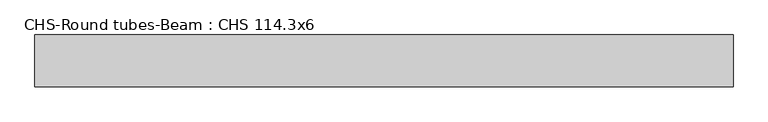
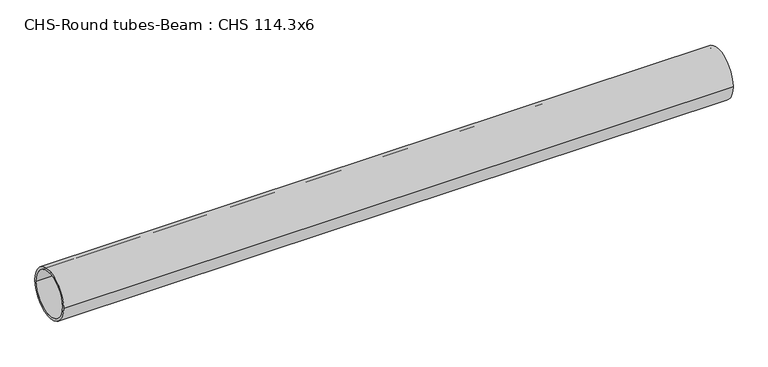
"""IFC4 building model written with IfcOpenShell, lengths in millimetres: beam geometry, CHS-Round tubes-Beam : CHS 114.3x6."""

from ifc_helpers import new_model, si_unit, point, frame, origin, origin_2d, place, context, project, spatial, circle_curve, trimmed, segment, composite_curve, outline, extrude, source, transform, mapped, element, save


def chs_round_tubes_beam_chs_114_3x6_22696764(model_context):
    return source(origin(), model_context, "Body", "SweptSolid", [
        extrude(outline(composite_curve([segment(trimmed(circle_curve(origin_2d(), 57.15), [point((57.15, 0.0))], [point((-57.15, 0.0))], False, "CARTESIAN"), True, "CONTINUOUS"), segment(trimmed(circle_curve(origin_2d(), 57.15), [point((-57.15, 0.0))], [point((57.15, 0.0))], False, "CARTESIAN"), True, "CONTINUOUS")], self_intersect=False), holes=[composite_curve([segment(trimmed(circle_curve(origin_2d(), 51.15), [point((51.15, 0.0))], [point((-51.15, 0.0))], True, "CARTESIAN"), True, "CONTINUOUS"), segment(trimmed(circle_curve(origin_2d(), 51.15), [point((-51.15, 0.0))], [point((51.15, 0.0))], True, "CARTESIAN"), True, "CONTINUOUS")], self_intersect=False)]), frame((-756.5627042, 0.0, 0.0), z_axis=(1.0, 0.0, 0.0), x_axis=(0.0, 1.0, 0.0)), (0.0, 0.0, 1.0), 1537.7508545),
    ])


if __name__ == "__main__":
    model = new_model("IFC4")
    model_context = context("Model", 3, world=origin())
    ifc_project = project(units=[si_unit("LENGTHUNIT", "METRE", prefix="MILLI")], contexts=[model_context])
    site = spatial("IfcSite", under=ifc_project)
    building = spatial("IfcBuilding", under=site)
    placement = place(None, origin())
    chs_round_tubes_beam_chs_114_3x6_shape = chs_round_tubes_beam_chs_114_3x6_22696764(model_context)
    element("IfcBeam", 1, ObjectType="CHS-Round tubes-Beam : CHS 114.3x6", at=placement, inside=building, context=model_context, shape_type="MappedRepresentation", body=[
        mapped(chs_round_tubes_beam_chs_114_3x6_shape, transform((0.0, 0.0, 0.0), x_axis=(1.0, 0.0, 0.0), y_axis=(0.0, 1.0, 0.0), z_axis=(0.0, 0.0, 1.0))),
    ])
    save(model, "model.ifc")
